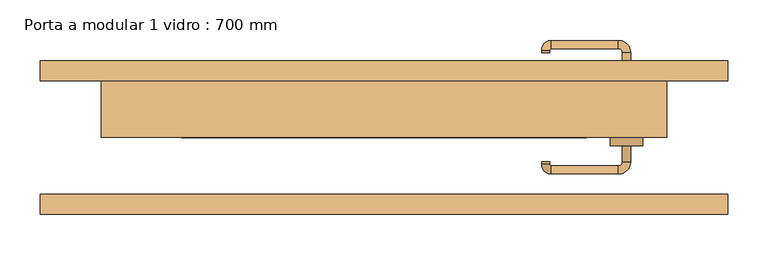
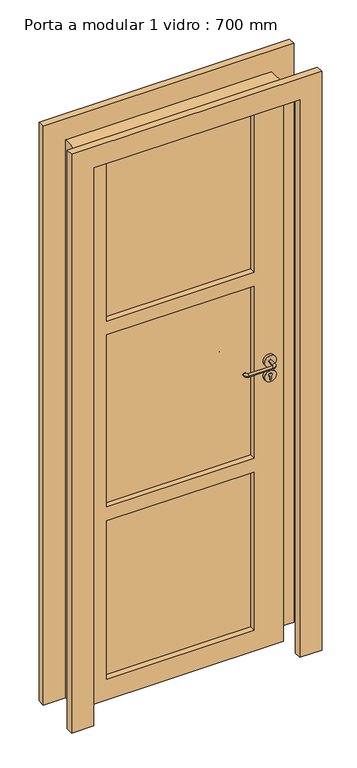
"""IFC4 building model written with IfcOpenShell, lengths in millimetres: door geometry, Porta a modular 1 vidro : 700 mm."""

from ifc_helpers import new_model, si_unit, point, frame, frame_2d, origin, place, context, project, spatial, polyline, circle_curve, ellipse_curve, trimmed, segment, composite_curve, outline, extrude, source, transform, mapped, element, save
from ifc_brep_helpers import plane_surface, cylinder_surface, revolved_surface, advanced_brep


def porta_a_modular_1_vidro_700_mm_e3ba61c8(model_context):
    return source(origin(), model_context, "Body", "SolidModel", [
        extrude(outline(composite_curve([segment(polyline([(962.8763376, 302.3084346), (974.135018, 302.3084346)]), True, "CONTINUOUS"), segment(trimmed(circle_curve(frame_2d((979.4570568, 300.0)), 5.8011178), [point((974.135018, 302.3084346))], [point((974.135018, 297.6915654))], False, "CARTESIAN"), True, "CONTINUOUS"), segment(polyline([(974.135018, 297.6915654), (962.8763376, 297.6915654)]), True, "CONTINUOUS"), segment(trimmed(circle_curve(frame_2d((962.8763376, 300.0056608)), 2.3140954), [point((962.8763376, 297.6915654))], [point((960.5622491, 300.0))], False, "CARTESIAN"), True, "CONTINUOUS"), segment(trimmed(circle_curve(frame_2d((962.8763376, 299.9943392)), 2.3140954), [point((960.5622491, 300.0))], [point((962.8763376, 302.3084346))], False, "CARTESIAN"), True, "CONTINUOUS")], self_intersect=False)), frame((0.0, -10.0, 0.0), z_axis=(0.0, 1.0, 0.0), x_axis=(0.0, 0.0, 1.0)), (0.0, 0.0, 1.0), 5.0),
        extrude(outline(composite_curve([segment(trimmed(circle_curve(frame_2d((974.8079154, 300.0)), 20.0), [point((974.8079154, 320.0))], [point((974.8079154, 280.0))], False, "CARTESIAN"), True, "CONTINUOUS"), segment(trimmed(circle_curve(frame_2d((974.8079154, 300.0)), 20.0), [point((974.8079154, 280.0))], [point((974.8079154, 320.0))], False, "CARTESIAN"), True, "CONTINUOUS")], self_intersect=False)), frame((0.0, -10.0, 0.0), z_axis=(0.0, 1.0, 0.0), x_axis=(0.0, 0.0, 1.0)), (0.0, 0.0, 1.0), 10.0),
        advanced_brep(
        [(305.0, -5.0, 1027.5), (295.0, -5.0, 1027.5), (305.0, -30.0, 1027.5), (295.0, -30.0, 1027.5), (290.0, -45.0, 1027.5), (290.0, -35.0, 1027.5), (195.0, -30.0, 1027.5), (205.0, -30.0, 1027.5), (207.0175282, -45.0, 1027.5), (207.0175282, -35.0, 1027.5), (195.0, -32.9824718, 1027.5), (205.0, -32.9824718, 1027.5)],
        [
            (0, 1, circle_curve(frame((300.0, -5.0, 1027.5), z_axis=(0.0, 1.0, 0.0), x_axis=(-1.0000000000000004, 0.0, 0.0)), 5.0)),
            (1, 0, circle_curve(frame((300.0, -5.0, 1027.5), z_axis=(0.0, 1.0, 0.0), x_axis=(-1.0000000000000004, 0.0, 0.0)), 5.0)),
            (0, 2),
            (2, 3, circle_curve(frame((300.0, -30.0, 1027.5), z_axis=(0.0, 1.0, 0.0), x_axis=(-1.0000000000000004, 0.0, 0.0)), 5.0)),
            (3, 1),
            (3, 2, circle_curve(frame((300.0, -30.0, 1027.5), z_axis=(0.0, 1.0, 0.0), x_axis=(-1.0000000000000004, 0.0, 0.0)), 5.0)),
            (4, 5, circle_curve(frame((290.0, -40.0, 1027.5), z_axis=(1.0000000000000004, 0.0, 0.0), x_axis=(0.0, 1.0000000000000004, 0.0)), 5.0)),
            (5, 3, circle_curve(frame((290.0, -30.0, 1027.5), z_axis=(0.0, 0.0, 1.0), x_axis=(1.0000000000000004, 0.0, 0.0)), 5.0)),
            (2, 4, circle_curve(frame((290.0, -30.0, 1027.5), z_axis=(0.0, 0.0, -1.0), x_axis=(1.0000000000000004, 0.0, 0.0)), 15.0)),
            (5, 4, circle_curve(frame((290.0, -40.0, 1027.5), z_axis=(1.0000000000000004, 0.0, 0.0), x_axis=(0.0, 1.0000000000000004, 0.0)), 5.0)),
            (6, 7, circle_curve(frame((200.0, -30.0, 1027.5), z_axis=(0.0, 1.0, 0.0), x_axis=(1.0000000000000004, 0.0, 0.0)), 5.0)),
            (7, 6, circle_curve(frame((200.0, -30.0, 1027.5), z_axis=(0.0, 1.0, 0.0), x_axis=(1.0000000000000004, 0.0, 0.0)), 5.0)),
            (4, 8),
            (8, 9, circle_curve(frame((207.0175282, -40.0, 1027.5), z_axis=(1.0, 0.0, 0.0), x_axis=(0.0, 1.0000000000000004, 0.0)), 5.0)),
            (9, 5),
            (9, 8, circle_curve(frame((207.0175282, -40.0, 1027.5), z_axis=(1.0, 0.0, 0.0), x_axis=(0.0, 1.0000000000000004, 0.0)), 5.0)),
            (10, 11, circle_curve(frame((200.0, -32.9824718, 1027.5), z_axis=(0.0, -1.0000000000000004, 0.0), x_axis=(1.0000000000000004, 0.0, 0.0)), 5.0)),
            (11, 9, circle_curve(frame((207.0175282, -32.9824718, 1027.5), z_axis=(0.0, 0.0, 1.0), x_axis=(0.0, -1.0000000000000004, 0.0)), 2.0175282)),
            (8, 10, circle_curve(frame((207.0175282, -32.9824718, 1027.5), z_axis=(0.0, 0.0, -1.0), x_axis=(0.0, -1.0000000000000004, 0.0)), 12.0175282)),
            (11, 10, circle_curve(frame((200.0, -32.9824718, 1027.5), z_axis=(0.0, -1.0000000000000004, 0.0), x_axis=(1.0000000000000004, 0.0, 0.0)), 5.0)),
            (10, 6),
            (7, 11),
        ],
        [
            plane_surface(frame((300.0, -5.0, 127.5), z_axis=(0.0, 1.0, 0.0), x_axis=(0.0, 0.0, 1.0))),
            cylinder_surface(frame((300.0, -5.0, 1027.5), z_axis=(0.0, 1.0000000000000004, 0.0), x_axis=(-1.0000000000000004, 0.0, 0.0)), 5.0),
            revolved_surface(trimmed(ellipse_curve(frame((300.0, -30.0, 1027.5), z_axis=(0.0, -1.0000000000000004, 0.0), x_axis=(-1.0000000000000004, 0.0, 0.0)), 5.0, 5.0), [point((295.0, -30.0, 1027.5))], [point((305.0, -30.0, 1027.5))], True, "CARTESIAN"), (290.0, -30.0, 127.5), (0.0, 0.0, 1.0)),
            revolved_surface(trimmed(ellipse_curve(frame((300.0, -30.0, 1027.5), z_axis=(0.0, -1.0000000000000004, 0.0), x_axis=(-1.0000000000000004, 0.0, 0.0)), 5.0, 5.0), [point((305.0, -30.0, 1027.5))], [point((295.0, -30.0, 1027.5))], True, "CARTESIAN"), (290.0, -30.0, 127.5), (0.0, 0.0, 1.0)),
            plane_surface(frame((200.0, -30.0, 127.5), z_axis=(0.0, 1.0, 0.0), x_axis=(0.0, 0.0, 1.0))),
            cylinder_surface(frame((290.0, -40.0, 1027.5), z_axis=(1.0000000000000004, 0.0, 0.0), x_axis=(0.0, 1.0000000000000004, 0.0)), 5.0),
            revolved_surface(trimmed(ellipse_curve(frame((207.0175282, -40.0, 1027.5), z_axis=(-1.0000000000000004, 0.0, 0.0), x_axis=(0.0, 1.0000000000000004, 0.0)), 5.0, 5.0), [point((207.0175282, -35.0, 1027.5))], [point((207.0175282, -45.0, 1027.5))], True, "CARTESIAN"), (207.0175282, -32.9824718, 127.5), (0.0, 0.0, 1.0)),
            revolved_surface(trimmed(ellipse_curve(frame((207.0175282, -40.0, 1027.5), z_axis=(-1.0000000000000004, 0.0, 0.0), x_axis=(0.0, 1.0000000000000004, 0.0)), 5.0, 5.0), [point((207.0175282, -45.0, 1027.5))], [point((207.0175282, -35.0, 1027.5))], True, "CARTESIAN"), (207.0175282, -32.9824718, 127.5), (0.0, 0.0, 1.0)),
            cylinder_surface(frame((200.0, -32.9824718, 1027.5), z_axis=(0.0, -1.0000000000000004, 0.0), x_axis=(1.0000000000000004, 0.0, 0.0)), 5.0),
        ],
        [
            (0, [[1, 2]]),
            (1, [[3, 4, 5, -1]]),
            (1, [[-5, 6, -3, -2]]),
            (2, [[7, 8, -4, 9]]),
            (3, [[10, -9, -6, -8]]),
            (4, [[11, 12]]),
            (5, [[13, 14, 15, -7]]),
            (5, [[-15, 16, -13, -10]]),
            (6, [[17, 18, -14, 19]]),
            (7, [[20, -19, -16, -18]]),
            (8, [[21, -12, 22, -17]]),
            (8, [[-22, -11, -21, -20]]),
        ],
    ),
        extrude(outline(composite_curve([segment(trimmed(circle_curve(frame_2d((1027.5, 300.0)), 20.0), [point((1027.5, 320.0))], [point((1027.5, 280.0))], False, "CARTESIAN"), True, "CONTINUOUS"), segment(trimmed(circle_curve(frame_2d((1027.5, 300.0)), 20.0), [point((1027.5, 280.0))], [point((1027.5, 320.0))], False, "CARTESIAN"), True, "CONTINUOUS")], self_intersect=False)), frame((0.0, -10.0, 0.0), z_axis=(0.0, 1.0, 0.0), x_axis=(0.0, 0.0, 1.0)), (0.0, 0.0, 1.0), 10.0),
        extrude(outline(composite_curve([segment(polyline([(962.8763376, 302.3084346), (974.135018, 302.3084346)]), True, "CONTINUOUS"), segment(trimmed(circle_curve(frame_2d((979.4570568, 300.0)), 5.8011178), [point((974.135018, 302.3084346))], [point((974.135018, 297.6915654))], False, "CARTESIAN"), True, "CONTINUOUS"), segment(polyline([(974.135018, 297.6915654), (962.8763376, 297.6915654)]), True, "CONTINUOUS"), segment(trimmed(circle_curve(frame_2d((962.8763376, 300.0056608)), 2.3140954), [point((962.8763376, 297.6915654))], [point((960.5622491, 300.0))], False, "CARTESIAN"), True, "CONTINUOUS"), segment(trimmed(circle_curve(frame_2d((962.8763376, 299.9943392)), 2.3140954), [point((960.5622491, 300.0))], [point((962.8763376, 302.3084346))], False, "CARTESIAN"), True, "CONTINUOUS")], self_intersect=False)), frame((0.0, 80.0, 0.0), z_axis=(0.0, 1.0, 0.0), x_axis=(0.0, 0.0, 1.0)), (0.0, 0.0, 1.0), 5.0),
        extrude(outline(composite_curve([segment(trimmed(circle_curve(frame_2d((974.8079154, 300.0)), 20.0), [point((974.8079154, 320.0))], [point((974.8079154, 280.0))], False, "CARTESIAN"), True, "CONTINUOUS"), segment(trimmed(circle_curve(frame_2d((974.8079154, 300.0)), 20.0), [point((974.8079154, 280.0))], [point((974.8079154, 320.0))], False, "CARTESIAN"), True, "CONTINUOUS")], self_intersect=False)), frame((0.0, 75.0, 0.0), z_axis=(0.0, 1.0, 0.0), x_axis=(0.0, 0.0, 1.0)), (0.0, 0.0, 1.0), 10.0),
        advanced_brep(
        [(305.0, 80.0, 1027.5), (295.0, 80.0, 1027.5), (295.0, 105.0, 1027.5), (305.0, 105.0, 1027.5), (290.0, 120.0, 1027.5), (290.0, 110.0, 1027.5), (195.0, 105.0, 1027.5), (205.0, 105.0, 1027.5), (207.0175282, 110.0, 1027.5), (207.0175282, 120.0, 1027.5), (195.0, 107.9824718, 1027.5), (205.0, 107.9824718, 1027.5)],
        [
            (0, 1, circle_curve(frame((300.0, 80.0, 1027.5), z_axis=(0.0, -1.0, 0.0), x_axis=(-1.0000000000000004, 0.0, 0.0)), 5.0)),
            (1, 0, circle_curve(frame((300.0, 80.0, 1027.5), z_axis=(0.0, -1.0, 0.0), x_axis=(-1.0000000000000004, 0.0, 0.0)), 5.0)),
            (1, 2),
            (2, 3, circle_curve(frame((300.0, 105.0, 1027.5), z_axis=(0.0, -1.0, 0.0), x_axis=(-1.0000000000000004, 0.0, 0.0)), 5.0)),
            (3, 0),
            (3, 2, circle_curve(frame((300.0, 105.0, 1027.5), z_axis=(0.0, -1.0, 0.0), x_axis=(-1.0000000000000004, 0.0, 0.0)), 5.0)),
            (4, 3, circle_curve(frame((290.0, 105.0, 1027.5), z_axis=(0.0, 0.0, -1.0), x_axis=(1.0000000000000004, 0.0, 0.0)), 15.0)),
            (2, 5, circle_curve(frame((290.0, 105.0, 1027.5), z_axis=(0.0, 0.0, 1.0), x_axis=(1.0000000000000004, 0.0, 0.0)), 5.0)),
            (5, 4, circle_curve(frame((290.0, 115.0, 1027.5), z_axis=(1.0000000000000004, 0.0, 0.0), x_axis=(0.0, -1.0000000000000004, 0.0)), 5.0)),
            (4, 5, circle_curve(frame((290.0, 115.0, 1027.5), z_axis=(1.0000000000000004, 0.0, 0.0), x_axis=(0.0, -1.0000000000000004, 0.0)), 5.0)),
            (6, 7, circle_curve(frame((200.0, 105.0, 1027.5), z_axis=(0.0, -1.0, 0.0), x_axis=(1.0000000000000004, 0.0, 0.0)), 5.0)),
            (7, 6, circle_curve(frame((200.0, 105.0, 1027.5), z_axis=(0.0, -1.0, 0.0), x_axis=(1.0000000000000004, 0.0, 0.0)), 5.0)),
            (5, 8),
            (8, 9, circle_curve(frame((207.0175282, 115.0, 1027.5), z_axis=(1.0, 0.0, 0.0), x_axis=(0.0, -1.0000000000000004, 0.0)), 5.0)),
            (9, 4),
            (9, 8, circle_curve(frame((207.0175282, 115.0, 1027.5), z_axis=(1.0, 0.0, 0.0), x_axis=(0.0, -1.0000000000000004, 0.0)), 5.0)),
            (10, 9, circle_curve(frame((207.0175282, 107.9824718, 1027.5), z_axis=(0.0, 0.0, -1.0), x_axis=(0.0, 1.0000000000000004, 0.0)), 12.0175282)),
            (8, 11, circle_curve(frame((207.0175282, 107.9824718, 1027.5), z_axis=(0.0, 0.0, 1.0), x_axis=(0.0, 1.0000000000000004, 0.0)), 2.0175282)),
            (11, 10, circle_curve(frame((200.0, 107.9824718, 1027.5), z_axis=(0.0, 1.0000000000000004, 0.0), x_axis=(1.0000000000000004, 0.0, 0.0)), 5.0)),
            (10, 11, circle_curve(frame((200.0, 107.9824718, 1027.5), z_axis=(0.0, 1.0000000000000004, 0.0), x_axis=(1.0000000000000004, 0.0, 0.0)), 5.0)),
            (11, 7),
            (6, 10),
        ],
        [
            plane_surface(frame((300.0, 80.0, 127.5), z_axis=(0.0, -1.0, 0.0), x_axis=(0.0, 0.0, 1.0))),
            cylinder_surface(frame((300.0, 80.0, 1027.5), z_axis=(0.0, -1.0000000000000004, 0.0), x_axis=(-1.0000000000000004, 0.0, 0.0)), 5.0),
            revolved_surface(trimmed(ellipse_curve(frame((300.0, 105.0, 1027.5), z_axis=(0.0, -1.0000000000000004, 0.0), x_axis=(-1.0000000000000004, 0.0, 0.0)), 5.0, 5.0), [point((295.0, 105.0, 1027.5))], [point((305.0, 105.0, 1027.5))], True, "CARTESIAN"), (290.0, 105.0, 127.5), (0.0, 0.0, 1.0)),
            revolved_surface(trimmed(ellipse_curve(frame((300.0, 105.0, 1027.5), z_axis=(0.0, -1.0000000000000004, 0.0), x_axis=(-1.0000000000000004, 0.0, 0.0)), 5.0, 5.0), [point((305.0, 105.0, 1027.5))], [point((295.0, 105.0, 1027.5))], True, "CARTESIAN"), (290.0, 105.0, 127.5), (0.0, 0.0, 1.0)),
            plane_surface(frame((200.0, 105.0, 127.5), z_axis=(0.0, -1.0, 0.0), x_axis=(0.0, 0.0, 1.0))),
            cylinder_surface(frame((290.0, 115.0, 1027.5), z_axis=(1.0000000000000004, 0.0, 0.0), x_axis=(0.0, -1.0000000000000004, 0.0)), 5.0),
            revolved_surface(trimmed(ellipse_curve(frame((207.0175282, 115.0, 1027.5), z_axis=(1.0000000000000004, 0.0, 0.0), x_axis=(0.0, -1.0000000000000004, 0.0)), 5.0, 5.0), [point((207.0175282, 110.0, 1027.5))], [point((207.0175282, 120.0, 1027.5))], True, "CARTESIAN"), (207.0175282, 107.9824718, 127.5), (0.0, 0.0, 1.0)),
            revolved_surface(trimmed(ellipse_curve(frame((207.0175282, 115.0, 1027.5), z_axis=(1.0000000000000004, 0.0, 0.0), x_axis=(0.0, -1.0000000000000004, 0.0)), 5.0, 5.0), [point((207.0175282, 120.0, 1027.5))], [point((207.0175282, 110.0, 1027.5))], True, "CARTESIAN"), (207.0175282, 107.9824718, 127.5), (0.0, 0.0, 1.0)),
            cylinder_surface(frame((200.0, 107.9824718, 1027.5), z_axis=(0.0, 1.0000000000000004, 0.0), x_axis=(1.0000000000000004, 0.0, 0.0)), 5.0),
        ],
        [
            (0, [[1, 2]]),
            (1, [[-2, 3, 4, 5]]),
            (1, [[-1, -5, 6, -3]]),
            (2, [[7, -4, 8, 9]]),
            (3, [[-8, -6, -7, 10]]),
            (4, [[11, 12]]),
            (5, [[-9, 13, 14, 15]]),
            (5, [[-10, -15, 16, -13]]),
            (6, [[17, -14, 18, 19]]),
            (7, [[-18, -16, -17, 20]]),
            (8, [[-19, 21, -11, 22]]),
            (8, [[-20, -22, -12, -21]]),
        ],
    ),
        extrude(outline(composite_curve([segment(trimmed(circle_curve(frame_2d((1027.5, 300.0)), 20.0), [point((1027.5, 320.0))], [point((1027.5, 280.0))], False, "CARTESIAN"), True, "CONTINUOUS"), segment(trimmed(circle_curve(frame_2d((1027.5, 300.0)), 20.0), [point((1027.5, 280.0))], [point((1027.5, 320.0))], False, "CARTESIAN"), True, "CONTINUOUS")], self_intersect=False)), frame((0.0, 75.0, 0.0), z_axis=(0.0, 1.0, 0.0), x_axis=(0.0, 0.0, 1.0)), (0.0, 0.0, 1.0), 10.0),
        extrude(outline(polyline([(2000.0, -350.0), (2000.0, 350.0), (0.0, 350.0), (0.0, 425.0), (2075.0, 425.0), (2075.0, -425.0), (0.0, -425.0), (0.0, -350.0), (2000.0, -350.0)])), frame((0.0, 70.0, 0.0), z_axis=(0.0, 1.0, 0.0), x_axis=(0.0, 0.0, 1.0)), (0.0, 0.0, 1.0), 25.0),
        extrude(outline(polyline([(2075.0, -425.0), (0.0, -425.0), (0.0, -350.0), (2000.0, -350.0), (2000.0, 350.0), (0.0, 350.0), (0.0, 425.0), (2075.0, 425.0), (2075.0, -425.0)])), frame((0.0, -95.0, 0.0), z_axis=(0.0, 1.0, 0.0), x_axis=(0.0, 0.0, 1.0)), (0.0, 0.0, 1.0), 25.0),
        extrude(outline(polyline([(-250.0, 45.0), (250.0, 45.0), (250.0, 20.0), (-250.0, 20.0), (-250.0, 45.0)])), frame((0.0, 0.0, 691.7), z_axis=(0.0, 0.0, 1.0), x_axis=(1.0, 0.0, 0.0)), (0.0, 0.0, 1.0), 616.7),
        extrude(outline(polyline([(2000.0, 350.0), (2000.0, -350.0), (0.0, -350.0), (0.0, 350.0), (2000.0, 350.0)]), holes=[polyline([(641.7333333, -250.0), (641.7333333, 250.0), (75.0333333, 250.0), (75.0333333, -250.0), (641.7333333, -250.0)]), polyline([(1308.4, -250.0), (1308.4, 250.0), (691.7, 250.0), (691.7, -250.0), (1308.4, -250.0)]), polyline([(1925.0666667, -250.0), (1925.0666667, 250.0), (1358.3666667, 250.0), (1358.3666667, -250.0), (1925.0666667, -250.0)])]), frame((0.0, 0.0, 0.0), z_axis=(0.0, 1.0, 0.0), x_axis=(0.0, 0.0, 1.0)), (0.0, 0.0, 1.0), 70.0),
        extrude(outline(polyline([(-250.0, 45.0), (250.0, 45.0), (250.0, 20.0), (-250.0, 20.0), (-250.0, 45.0)])), frame((0.0, 0.0, 25.0333333), z_axis=(0.0, 0.0, 1.0), x_axis=(1.0, 0.0, 0.0)), (0.0, 0.0, 1.0), 616.7),
        extrude(outline(polyline([(-250.0, 45.0), (250.0, 45.0), (250.0, 20.0), (-250.0, 20.0), (-250.0, 45.0)])), frame((0.0, 0.0, 1358.3666667), z_axis=(0.0, 0.0, 1.0), x_axis=(1.0, 0.0, 0.0)), (0.0, 0.0, 1.0), 616.7),
    ])


if __name__ == "__main__":
    model = new_model("IFC4")
    model_context = context("Model", 3, world=origin())
    ifc_project = project(units=[si_unit("LENGTHUNIT", "METRE", prefix="MILLI")], contexts=[model_context])
    site = spatial("IfcSite", under=ifc_project)
    building = spatial("IfcBuilding", under=site)
    placement = place(None, origin())
    porta_a_modular_1_vidro_700_mm_shape = porta_a_modular_1_vidro_700_mm_e3ba61c8(model_context)
    element("IfcDoor", 1, ObjectType="Porta a modular 1 vidro : 700 mm", at=placement, inside=building, context=model_context, shape_type="MappedRepresentation", body=[
        mapped(porta_a_modular_1_vidro_700_mm_shape, transform((0.0, 0.0, 0.0), x_axis=(1.0, 0.0, 0.0), y_axis=(0.0, 1.0, 0.0), z_axis=(0.0, 0.0, 1.0))),
    ])
    save(model, "model.ifc")
